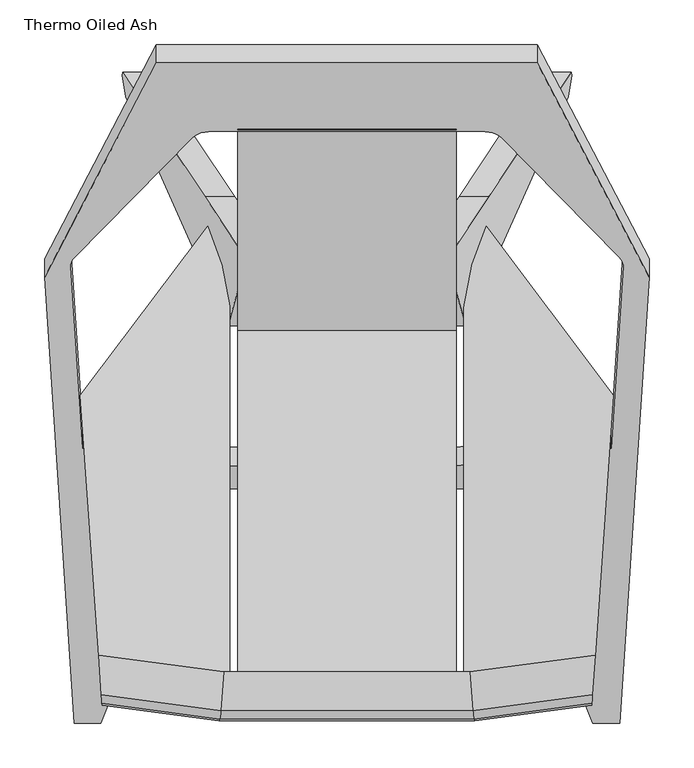
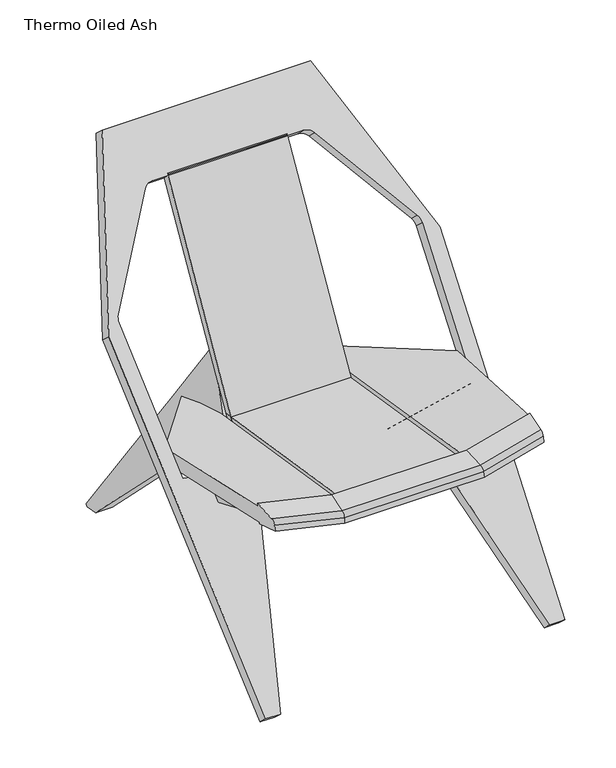
"""IFC4 building model written with IfcOpenShell, lengths in millimetres: furniture geometry, Thermo Oiled Ash."""

from ifc_helpers import new_model, si_unit, point, frame, frame_2d, origin, place, context, project, spatial, polyline, circle_curve, ellipse_curve, trimmed, segment, composite_curve, outline, extrude, faceted_brep, source, transform, mapped, element, save
from ifc_brep_helpers import plane_surface, cylinder_surface, advanced_brep


def thermo_oiled_ash_b14f9647(model_context):
    return source(origin(), model_context, "Body", "SolidModel", [
        faceted_brep([(172.0661943, 657.9497809, 144.2025019), (205.1895469, 657.9497809, 144.2025019), (251.4575382, 727.7469062, 4.1587732), (218.3341856, 727.7469062, 4.1587732), (251.9344816, 724.1935004, -4.02e-05), (218.8111289, 724.1935004, -4.02e-05), (248.1162073, 700.2461127, -4.02e-05), (214.9928547, 700.2461127, -4.02e-05), (171.5617709, 528.9995047, 196.2812091), (138.4384202, 528.9995043, 196.2812095), (133.2845556, 443.3761678, 294.4218013), (100.161203, 443.3761678, 294.4218013), (112.6535694, 518.3555961, 424.2899804), (79.5302168, 518.3555961, 424.2899804), (158.9215679, 588.15268, 284.246197), (125.7982148, 588.1526801, 284.2461969)], [[[0, 1, 2, 3]], [[3, 2, 4, 5]], [[5, 4, 6, 7]], [[7, 6, 8, 9]], [[9, 8, 10, 11]], [[11, 10, 12, 13]], [[13, 12, 14, 15]], [[1, 0, 15, 14]], [[2, 1, 14, 12, 10, 8, 6, 4]], [[0, 3, 5, 7, 9, 11, 13, 15]]]),
        faceted_brep([(-205.1895469, 657.9497809, 144.2025019), (-251.4575382, 727.7469062, 4.1587732), (-251.9344816, 724.1935004, -4.02e-05), (-248.1162073, 700.2461127, -4.02e-05), (-171.5617709, 528.9995047, 196.2812091), (-133.2845556, 443.3761678, 294.4218013), (-112.6535694, 518.3555961, 424.2899804), (-158.9215679, 588.15268, 284.246197), (-218.3341856, 727.7469062, 4.1587732), (-172.0661943, 657.9497809, 144.2025019), (-125.7982148, 588.1526679, 284.2461908), (-79.5302168, 518.3555961, 424.2899804), (-100.161203, 443.3761678, 294.4218013), (-138.4384202, 528.9994696, 196.2811792), (-214.9928547, 700.2461127, -4.02e-05), (-218.8111289, 724.1935004, -4.02e-05)], [[[0, 1, 2, 3, 4, 5, 6, 7]], [[8, 9, 10, 11, 12, 13, 14, 15]], [[0, 9, 8, 1]], [[1, 8, 15, 2]], [[2, 15, 14, 3]], [[3, 14, 13, 4]], [[4, 13, 12, 5]], [[5, 12, 11, 6]], [[6, 11, 10, 7]], [[9, 0, 7, 10]]]),
        extrude(outline(polyline([(219.5351677, -1e-07), (250.8502408, -70.4754045), (-9.0467559, -15.2134148), (-3.1939259, 0.0), (219.5351677, -1e-07)])), frame((237.9864513, 61.2845667, 365.3115197), z_axis=(-0.9986509517509171, 0.0519256831152731, 0.0), x_axis=(0.04846298923100283, 0.9320553417234696, -0.359060132344907)), (0.0, 0.0, 1.0), 27.4528679),
        extrude(outline(polyline([(-7.107613, -1e-07), (83.3335638, -203.540273), (71.8074281, -215.0664086), (-84.2271076, 0.0), (-7.107613, -1e-07)])), frame((-248.3648115, 260.8844313, 281.459352), z_axis=(0.998650951750917, 0.0519256831152731, 0.0), x_axis=(0.036717002648543634, -0.7061528600214733, -0.7071067811865479)), (0.0, 0.0, 1.0), 27.4528679),
        advanced_brep(
        [(-131.0900445, 487.3125269, 282.2972293), (-131.0900445, 55.5125269, 350.9846394), (-185.3515653, 55.5125269, 359.8320633), (-278.0005461, 67.818273, 372.9811183), (-298.8447713, 365.9045811, 328.9625327), (-156.2534485, 555.1296576, 275.6123352), (-131.0900445, 55.5125269, 383.1470637), (-131.0900445, 487.3125269, 314.4596535), (-156.2534485, 555.1296576, 307.7747595), (-298.8447713, 365.9045811, 361.124957), (-278.3702536, 73.1053375, 404.3627986), (-145.9153857, 55.5125269, 385.5643582), (-277.9732068, 67.4273034, 370.6604956), (-274.5213176, 18.0629874, 382.8697438), (-274.6673438, 20.1512601, 394.0702211), (-275.3372619, 29.7315353, 403.0760848), (-278.4451455, 74.1763403, 410.7197983), (-143.4008191, 0.6474093, 364.2606817), (-142.4956606, 2.5960624, 375.3119713), (-141.2677037, 11.9242596, 384.0484822), (-137.9267828, 55.5125269, 390.7769597), (-141.118581, 49.2501117, 351.2376268), (143.4008191, 0.6474093, 364.2606817), (142.4956606, 2.5960624, 375.3119713), (141.2677037, 11.9242596, 384.0484822), (137.9267828, 55.5125269, 390.7769597), (141.118581, 49.2501117, 351.2376268), (277.9732068, 67.4273034, 370.6604956), (274.5213176, 18.0629874, 382.8697438), (274.6673438, 20.1512601, 394.0702211), (275.3372619, 29.7315353, 403.0760848), (278.4451455, 74.1763403, 410.7197983), (278.3702536, 73.1053375, 404.3627986), (145.9153857, 55.5125269, 385.5643582), (185.3515653, 55.5125269, 359.8320633), (278.0005461, 67.818273, 372.9811183), (131.0900445, 55.5125269, 350.9846394), (131.0900445, 487.3125269, 282.2972293), (156.2534485, 555.1296576, 275.6123352), (298.8447713, 365.9045811, 328.9625327), (131.0900445, 487.3125269, 314.4596535), (131.0900445, 55.5125269, 383.1470637), (298.8447713, 365.9045811, 361.124957), (156.2534485, 555.1296576, 307.7747595)],
        [
            (0, 1),
            (1, 2),
            (2, 3),
            (3, 4),
            (4, 5),
            (5, 0),
            (6, 7),
            (7, 8),
            (8, 9),
            (9, 10),
            (10, 11),
            (11, 6),
            (9, 4),
            (3, 12),
            (12, 13),
            (13, 14),
            (14, 15, ellipse_curve(frame((-275.4128026, 30.8118171, 392.4063138), z_axis=(-0.9975640502598245, -0.06975647374412353, 0.0), x_axis=(-0.057100867947177114, 0.8165804554812046, 0.5744004270591967)), 10.9767007, 10.6489483)),
            (15, 16),
            (16, 10),
            (1, 6),
            (11, 2),
            (0, 7),
            (5, 8),
            (17, 18),
            (18, 14),
            (13, 17),
            (18, 19, ellipse_curve(frame((-141.9356635, 13.0832272, 373.4627893), z_axis=(-0.9953961983671785, 0.06549194794638295, 0.06998009024256033), x_axis=(0.09584575252022755, 0.680159884974903, 0.7267710248728674)), 10.6982007, 10.6489483)),
            (19, 15),
            (20, 21),
            (21, 12),
            (16, 20),
            (17, 22),
            (22, 23),
            (23, 18),
            (23, 24, ellipse_curve(frame((141.9356635, 13.0832272, 373.4627893), z_axis=(-0.9953961983671797, -0.06549194794638043, -0.0699800902425443), x_axis=(-0.0958457525202146, 0.6801598849749737, 0.7267710248728028)), 10.6982007, 10.6489483)),
            (24, 19),
            (20, 25),
            (25, 26),
            (26, 21),
            (21, 17),
            (26, 22),
            (26, 27),
            (27, 28),
            (28, 22),
            (28, 29),
            (29, 23),
            (29, 30, ellipse_curve(frame((275.4128026, 30.8118171, 392.4063138), z_axis=(-0.9975640502598244, 0.06975647374412365, 0.0), x_axis=(-0.05710086794718166, -0.816580455481257, -0.5744004270591219)), 10.9767007, 10.6489483)),
            (30, 24),
            (25, 31),
            (31, 32),
            (32, 33),
            (33, 34),
            (34, 35),
            (35, 27),
            (19, 20),
            (24, 25),
            (30, 31),
            (36, 37),
            (37, 38),
            (38, 39),
            (39, 35),
            (34, 36),
            (40, 41),
            (41, 33),
            (32, 42),
            (42, 43),
            (43, 40),
            (39, 42),
            (41, 36),
            (40, 37),
            (43, 38),
        ],
        [
            plane_surface(frame((-79.21124, -42.6660476, 358.1432105), z_axis=(-0.15897899891808118, -0.15509913767881417, -0.9750230435196355), x_axis=(-0.9816271834476635, 0.13038087201897894, 0.139315831577671))),
            plane_surface(frame((-11.0969976, 548.0709882, 285.2296168), z_axis=(0.1589789989180811, 0.15509913767881423, 0.9750230435196356), x_axis=(-0.9816271834476635, 0.13038087201897938, 0.13931583157767077))),
            plane_surface(frame((-277.1400445, 55.5125269, 614.26039), z_axis=(-0.9975640502598245, -0.06975647374412353, 0.0), x_axis=(0.0, 0.0, -1.0))),
            plane_surface(frame((-131.0900445, 55.5125269, 614.26039), z_axis=(0.0, -1.0, 0.0), x_axis=(0.0, 0.0, -1.0))),
            plane_surface(frame((-131.0900445, 487.3125269, 614.26039), z_axis=(1.0, 0.0, 0.0), x_axis=(0.0, 0.0, -1.0))),
            plane_surface(frame((-156.2534485, 555.1296576, 614.26039), z_axis=(0.9375417095445489, 0.34787288319770615, 0.0), x_axis=(0.0, 0.0, -1.0))),
            plane_surface(frame((-298.8447713, 365.9045811, 614.26039), z_axis=(-0.7986355100472923, 0.601815023152049, 0.0), x_axis=(0.0, 0.0, -1.0))),
            plane_surface(frame((-321.4039285, 24.2899907, 389.5234817), z_axis=(-0.1042079773119221, -0.9779512130868537, 0.18097547426794994), x_axis=(0.9816271834476634, -0.13038087201897963, -0.13931583157767094))),
            cylinder_surface(frame((-318.5005364, 36.5347804, 398.5214699), z_axis=(-0.9816271834476633, 0.13038087201897916, 0.13931583157767088), x_axis=(-0.1303808720189792, -0.9914216095083768, 0.009166264854897414)), 10.6489483),
            plane_surface(frame((-310.5564293, 78.4413987, 415.2771397), z_axis=(0.10698186954528566, 0.980649484064483, -0.16395569216303246), x_axis=(0.9816271834476634, -0.13038087201897947, -0.13931583157767094))),
            plane_surface(frame((-143.4008191, 0.6474093, 364.2606817), z_axis=(0.0, -0.9848075617818811, 0.17364926218451507), x_axis=(1.0, 0.0, 0.0))),
            cylinder_surface(frame((-120.8160798, 13.0832272, 373.4627893), z_axis=(-1.0, 0.0, 0.0), x_axis=(0.0, -1.0, 0.0)), 10.6489483),
            plane_surface(frame((-137.9267828, 55.5125269, 390.7769597), z_axis=(0.0, 0.9876883405951384, -0.15643446504022698), x_axis=(1.0, 0.0, 0.0))),
            plane_surface(frame((-316.8813834, 72.595133, 376.1824749), z_axis=(-0.16831381252739694, -0.24774486231301332, -0.9540927332864446), x_axis=(0.9816271834476635, -0.13038087201897955, -0.1393158315776709))),
            plane_surface(frame((-141.118581, 49.2501117, 351.2376268), z_axis=(0.0, -0.25881904510252296, -0.9659258262890678), x_axis=(1.0, 0.0, 0.0))),
            plane_surface(frame((141.118581, 49.2501117, 351.2376268), z_axis=(0.16831381252737002, -0.24774486231301499, -0.954092733286449), x_axis=(0.9816271834476673, 0.13038087201898046, 0.13931583157764282))),
            plane_surface(frame((143.4008191, 0.6474093, 364.2606817), z_axis=(0.10420797731192732, -0.9779512130868533, 0.18097547426794905), x_axis=(0.9816271834476672, 0.1303808720189801, 0.1393158315776434))),
            cylinder_surface(frame((162.667221, 15.8368169, 376.4050816), z_axis=(-0.9816271834476674, -0.1303808720189789, -0.1393158315776439), x_axis=(0.13038087201897897, -0.991421609508377, 0.00916626485489539)), 10.6489483),
            plane_surface(frame((137.9267828, 55.5125269, 390.7769597), z_axis=(-0.10698186954529025, 0.9806494840644826, -0.16395569216303146), x_axis=(0.9816271834476672, 0.13038087201897988, 0.1393158315776439))),
            plane_surface(frame((-317.176889, 35.2887235, 409.0141054), z_axis=(0.11779450064803808, -0.1603077918010013, 0.9800131976177496), x_axis=(0.9816271834476634, -0.13038087201897935, -0.1393158315776709))),
            plane_surface(frame((-141.2677037, 11.9242596, 384.0484822), z_axis=(0.0, -0.15255751978121068, 0.9882945933061688), x_axis=(1.0, 0.0, 0.0))),
            plane_surface(frame((141.2677037, 11.9242596, 384.0484822), z_axis=(-0.11779450064801097, -0.16030779180099977, 0.9800131976177531), x_axis=(0.9816271834476672, 0.13038087201898005, 0.13931583157764363))),
            plane_surface(frame((15.5583575, 548.0709882, 253.794624), z_axis=(0.15897899891805448, -0.1550991376788141, -0.9750230435196401), x_axis=(0.9816271834476673, 0.1303808720189789, 0.1393158315776441))),
            plane_surface(frame((74.7498801, -42.6660476, 389.5782033), z_axis=(-0.15897899891805428, 0.15509913767881417, 0.9750230435196401), x_axis=(0.9816271834476673, 0.13038087201897897, 0.13931583157764388))),
            plane_surface(frame((298.8447713, 365.9045811, 614.26039), z_axis=(0.9975640502598244, -0.06975647374412365, 0.0), x_axis=(0.0, 0.0, -1.0))),
            plane_surface(frame((277.1400445, 55.5125269, 614.26039), z_axis=(0.0, -1.0, 0.0), x_axis=(0.0, 0.0, -1.0))),
            plane_surface(frame((131.0900445, 55.5125269, 614.26039), z_axis=(-1.0, 0.0, 0.0), x_axis=(0.0, 0.0, -1.0))),
            plane_surface(frame((131.0900445, 487.3125269, 614.26039), z_axis=(-0.9375417095445489, 0.34787288319770615, 0.0), x_axis=(0.0, 0.0, -1.0))),
            plane_surface(frame((156.2534485, 555.1296576, 614.26039), z_axis=(0.7986355100472923, 0.601815023152049, 0.0), x_axis=(0.0, 0.0, -1.0))),
        ],
        [
            (0, [[1, 2, 3, 4, 5, 6]]),
            (1, [[7, 8, 9, 10, 11, 12]]),
            (2, [[13, -4, 14, 15, 16, 17, 18, 19, -10]]),
            (3, [[20, -12, 21, -2]]),
            (4, [[-20, -1, 22, -7]]),
            (5, [[-22, -6, 23, -8]]),
            (6, [[-23, -5, -13, -9]]),
            (7, [[24, 25, -16, 26]]),
            (8, [[27, 28, -17, -25]]),
            (9, [[29, 30, -14, -3, -21, -11, -19, 31]]),
            (10, [[-24, 32, 33, 34]]),
            (11, [[-27, -34, 35, 36]]),
            (12, [[-29, 37, 38, 39]]),
            (13, [[40, -26, -15, -30]]),
            (14, [[-32, -40, -39, 41]]),
            (15, [[-41, 42, 43, 44]]),
            (16, [[-33, -44, 45, 46]]),
            (17, [[-35, -46, 47, 48]]),
            (18, [[-38, 49, 50, 51, 52, 53, 54, -42]]),
            (19, [[55, -31, -18, -28]]),
            (20, [[-36, 56, -37, -55]]),
            (21, [[-56, -48, 57, -49]]),
            (22, [[58, 59, 60, 61, -53, 62]]),
            (23, [[63, 64, -51, 65, 66, 67]]),
            (24, [[68, -65, -50, -57, -47, -45, -43, -54, -61]]),
            (25, [[69, -62, -52, -64]]),
            (26, [[-69, -63, 70, -58]]),
            (27, [[-70, -67, 71, -59]]),
            (28, [[-68, -60, -71, -66]]),
        ],
    ),
        extrude(outline(polyline([(244.8759155, 0.0), (244.8759155, -507.1605039), (0.0, -507.1605039), (0.0, 0.0), (244.8759155, 0.0)])), frame((-122.4045105, 552.5841489, 280.8621109), z_axis=(0.0, 0.15643446504022426, 0.9876883405951388), x_axis=(1.0, 0.0, 0.0)), (0.0, 0.0, 1.0), 22.1261557),
        extrude(outline(polyline([(437.6039618, 284.4240473), (422.0155219, 293.4240473), (663.5973075, 711.8559905), (677.0909916, 699.2277496), (437.6039618, 284.4240473)])), frame((-122.4045105, 0.0, 0.0), z_axis=(1.0, 0.0, 0.0), x_axis=(0.0, 1.0, 0.0)), (0.0, 0.0, 1.0), 244.809021),
        extrude(outline(polyline([(435.5011348, 0.0), (560.9477333, -351.5137564), (527.8164046, -1083.6954747), (497.7641111, -1083.6954747), (392.1952784, -698.8500209), (51.821625, -698.8500209), (-53.7472077, -1083.6954747), (-83.7995012, -1083.6954747), (-116.9308299, -351.5137564), (8.5157686, 0.0), (435.5011348, 0.0)]), holes=[composite_curve([segment(polyline([(222.0084517, -113.3071196), (67.3463751, -113.3071196)]), True, "CONTINUOUS"), segment(trimmed(circle_curve(frame_2d((67.3463751, -135.0203841)), 21.7132645), [point((67.3463751, -113.3071196))], [point((49.1360992, -123.1944927))], True, "CARTESIAN"), True, "CONTINUOUS"), segment(polyline([(49.1360992, -123.1944927), (-83.3088247, -319.5521672)]), True, "CONTINUOUS"), segment(trimmed(circle_curve(frame_2d((-62.2512703, -333.755667)), 25.4), [point((-83.3088247, -319.5521672))], [point((-87.6256554, -334.8960973))], True, "CARTESIAN"), True, "CONTINUOUS"), segment(polyline([(-87.6256554, -334.8960973), (-74.2764428, -631.9138668), (89.2615143, -660.750021), (344.4129622, -660.750021), (518.2933462, -631.9138668), (531.6425588, -334.8960973)]), True, "CONTINUOUS"), segment(trimmed(circle_curve(frame_2d((506.2681737, -333.755667)), 25.4), [point((531.6425588, -334.8960973))], [point((527.3257281, -319.5521672))], True, "CARTESIAN"), True, "CONTINUOUS"), segment(polyline([(527.3257281, -319.5521672), (394.8808042, -123.1944927)]), True, "CONTINUOUS"), segment(trimmed(circle_curve(frame_2d((376.6705283, -135.0203841)), 21.7132645), [point((394.8808042, -123.1944927))], [point((376.6705283, -113.3071196))], True, "CARTESIAN"), True, "CONTINUOUS"), segment(polyline([(376.6705283, -113.3071196), (222.0084517, -113.3071196)]), True, "CONTINUOUS")], self_intersect=False)]), frame((-222.0084517, 758.7759919, 772.5798385), z_axis=(0.0, -0.7301324096526032, 0.6833056888208112), x_axis=(1.0, 0.0, 0.0)), (0.0, 0.0, 1.0), 28.0000059),
    ])


if __name__ == "__main__":
    model = new_model("IFC4")
    model_context = context("Model", 3, world=origin())
    ifc_project = project(units=[si_unit("LENGTHUNIT", "METRE", prefix="MILLI")], contexts=[model_context])
    site = spatial("IfcSite", under=ifc_project)
    building = spatial("IfcBuilding", under=site)
    placement = place(None, origin())
    thermo_oiled_ash_shape = thermo_oiled_ash_b14f9647(model_context)
    element("IfcFurniture", 1, ObjectType="Thermo Oiled Ash", at=placement, inside=building, context=model_context, shape_type="MappedRepresentation", body=[
        mapped(thermo_oiled_ash_shape, transform((0.0, 0.0, 0.0), x_axis=(1.0, 0.0, 0.0), y_axis=(0.0, 1.0, 0.0), z_axis=(0.0, 0.0, 1.0))),
    ])
    save(model, "model.ifc")
